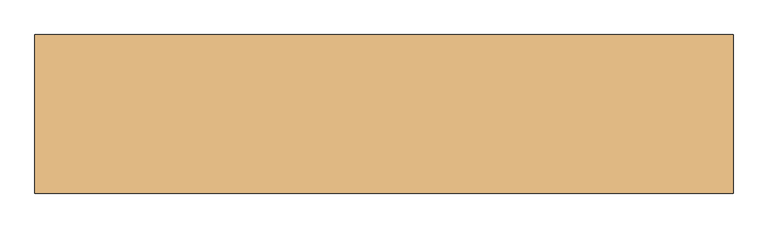
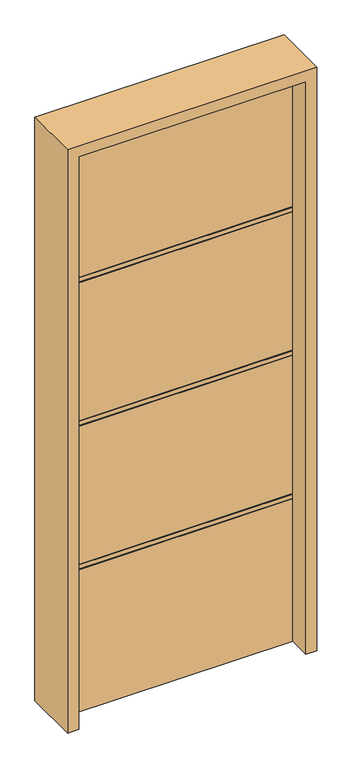
"""IFC4 building model written with IfcOpenShell, lengths in millimetres: door geometry."""

from ifc_helpers import new_model, si_unit, frame, origin, place, context, project, spatial, polyline, outline, extrude, source, transform, mapped, element, save


def door_7f92bc32(model_context):
    return source(origin(), model_context, "Body", "SweptSolid", [
        extrude(outline(polyline([(22.225, 2438.4), (22.225, 1850.898), (18.923, 1850.898), (18.923, 1847.596), (22.225, 1847.596), (22.225, 1830.832), (18.923, 1830.832), (18.923, 1827.53), (22.225, 1827.53), (22.225, 1240.028), (18.923, 1240.028), (18.923, 1236.726), (22.225, 1236.726), (22.225, 1219.962), (18.923, 1219.962), (18.923, 1216.66), (22.225, 1216.66), (22.225, 629.158), (18.923, 629.158), (18.923, 625.856), (22.225, 625.856), (22.225, 609.092), (18.923, 609.092), (18.923, 605.79), (22.225, 605.79), (22.225, 0.0), (-22.225, 0.0), (-22.225, 605.79), (-18.923, 605.79), (-18.923, 609.092), (-22.225, 609.092), (-22.225, 625.856), (-18.923, 625.856), (-18.923, 629.158), (-22.225, 629.158), (-22.225, 1216.66), (-18.923, 1216.66), (-18.923, 1219.962), (-22.225, 1219.962), (-22.225, 1236.726), (-18.923, 1236.726), (-18.923, 1240.028), (-22.225, 1240.028), (-22.225, 1827.53), (-18.923, 1827.53), (-18.923, 1830.832), (-22.225, 1830.832), (-22.225, 1847.596), (-18.923, 1847.596), (-18.923, 1850.898), (-22.225, 1850.898), (-22.225, 2438.4), (22.225, 2438.4)])), frame((-457.2, 0.0, 0.0), z_axis=(1.0, 0.0, 0.0), x_axis=(0.0, 1.0, 0.0)), (0.0, 0.0, 1.0), 914.4),
        extrude(outline(polyline([(0.0, -501.65), (0.0, -457.2), (2438.4, -457.2), (2438.4, 457.2), (0.0, 457.2), (0.0, 501.65), (2482.85, 501.65), (2482.85, -501.65), (0.0, -501.65)])), frame((0.0, -114.3, 0.0), z_axis=(0.0, 1.0, 0.0), x_axis=(0.0, 0.0, 1.0)), (0.0, 0.0, 1.0), 228.6),
    ])


if __name__ == "__main__":
    model = new_model("IFC4")
    model_context = context("Model", 3, world=origin())
    ifc_project = project(units=[si_unit("LENGTHUNIT", "METRE", prefix="MILLI")], contexts=[model_context])
    site = spatial("IfcSite", under=ifc_project)
    building = spatial("IfcBuilding", under=site)
    placement = place(None, origin())
    door_shape = door_7f92bc32(model_context)
    element("IfcDoor", 1, at=placement, inside=building, context=model_context, shape_type="MappedRepresentation", body=[
        mapped(door_shape, transform((0.0, 0.0, 0.0), x_axis=(1.0, 0.0, 0.0), y_axis=(0.0, 1.0, 0.0), z_axis=(0.0, 0.0, 1.0))),
    ])
    save(model, "model.ifc")
